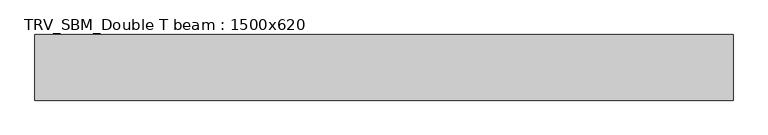
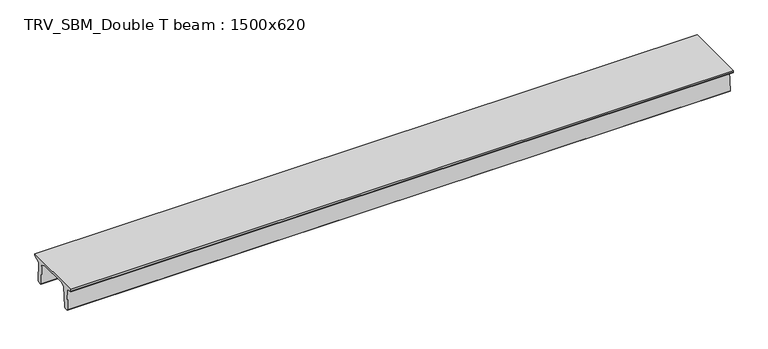
"""IFC4 building model written with IfcOpenShell, lengths in millimetres: beam geometry, TRV_SBM_Double T beam : 1500x620."""

from ifc_helpers import new_model, si_unit, frame, origin, place, context, project, spatial, polyline, outline, extrude, source, transform, mapped, element, save


def trv_sbm_double_t_beam_1500x620_2fb4b2ba(model_context):
    return source(origin(), model_context, "Body", "SweptSolid", [
        extrude(outline(polyline([(-765.0, 215.0), (-765.0, 260.0), (735.0, 260.0), (735.0, 215.0), (728.2094488, 201.315559), (578.0626443, 140.6523122), (594.8277662, -339.4379646), (574.2657308, -360.0), (484.2657308, -360.0), (464.786332, -340.5206011), (447.8600761, 144.18395), (338.3237744, 210.0), (-367.4555014, 210.0), (-476.5389732, 151.9992892), (-507.0080378, -339.3850967), (-527.622941, -360.0), (-615.122941, -360.0), (-637.1143055, -338.0086356), (-606.1572167, 162.687806), (-761.3068466, 204.260024), (-765.0, 215.0)])), frame((-7976.5, 0.0, 0.0), z_axis=(1.0, 0.0, 0.0), x_axis=(0.0, 1.0, 0.0)), (0.0, 0.0, 1.0), 15953.0),
    ])


if __name__ == "__main__":
    model = new_model("IFC4")
    model_context = context("Model", 3, world=origin())
    ifc_project = project(units=[si_unit("LENGTHUNIT", "METRE", prefix="MILLI")], contexts=[model_context])
    site = spatial("IfcSite", under=ifc_project)
    building = spatial("IfcBuilding", under=site)
    placement = place(None, origin())
    trv_sbm_double_t_beam_1500x620_shape = trv_sbm_double_t_beam_1500x620_2fb4b2ba(model_context)
    element("IfcBeam", 1, ObjectType="TRV_SBM_Double T beam : 1500x620", at=placement, inside=building, context=model_context, shape_type="MappedRepresentation", body=[
        mapped(trv_sbm_double_t_beam_1500x620_shape, transform((0.0, 0.0, 0.0), x_axis=(1.0, 0.0, 0.0), y_axis=(0.0, 1.0, 0.0), z_axis=(0.0, 0.0, 1.0))),
    ])
    save(model, "model.ifc")
